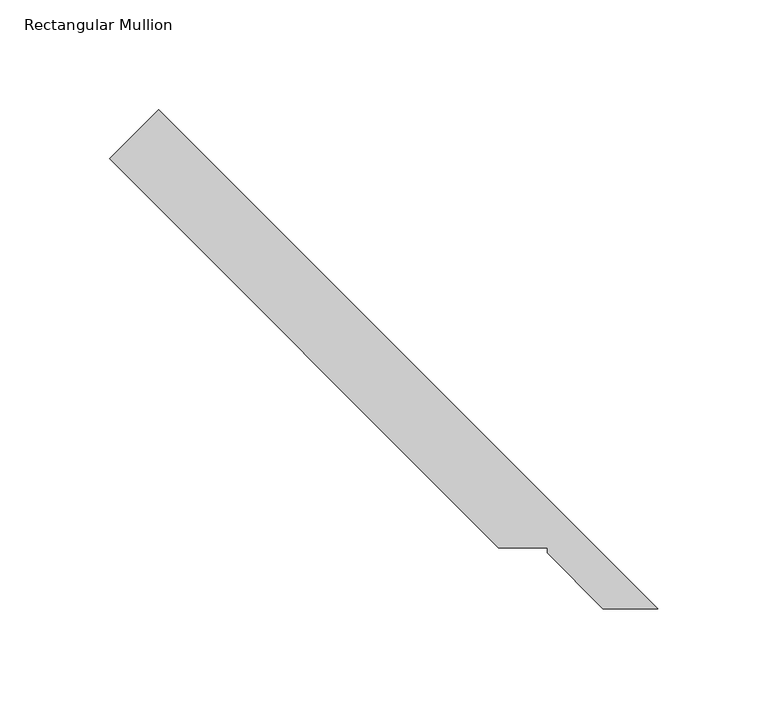
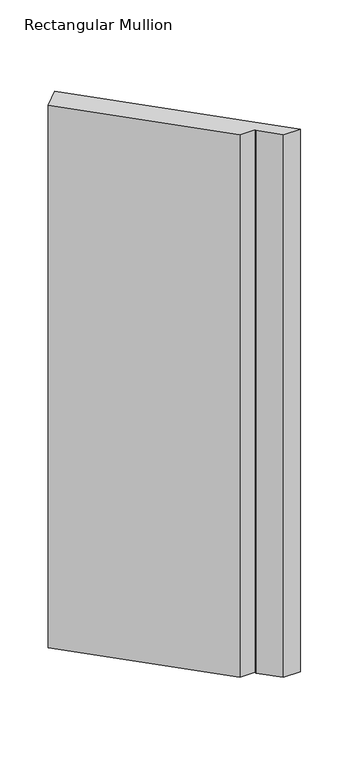
"""IFC4 building model written with IfcOpenShell, lengths in millimetres: member geometry, Rectangular Mullion."""

from ifc_helpers import new_model, si_unit, frame, origin, place, context, project, spatial, polyline, outline, extrude, source, transform, mapped, element, save


def rectangular_mullion_80196426(model_context):
    return source(origin(), model_context, "Body", "SweptSolid", [
        extrude(outline(polyline([(-269.2055409, 224.3042603), (-246.7549006, 246.7549006), (-18.853481, 18.853481), (-43.9245805, 18.853481), (-69.4326643, 44.4703836), (-69.4326643, 46.7563836), (-91.6576642, 46.7563836), (-269.2055409, 224.3042603)])), frame((0.0, 0.0, -838.2), z_axis=(0.0, 0.0, 1.0), x_axis=(1.0, 0.0, 0.0)), (0.0, 0.0, 1.0), 838.2),
    ])


if __name__ == "__main__":
    model = new_model("IFC4")
    model_context = context("Model", 3, world=origin())
    ifc_project = project(units=[si_unit("LENGTHUNIT", "METRE", prefix="MILLI")], contexts=[model_context])
    site = spatial("IfcSite", under=ifc_project)
    building = spatial("IfcBuilding", under=site)
    placement = place(None, origin())
    rectangular_mullion_shape = rectangular_mullion_80196426(model_context)
    element("IfcMember", 1, ObjectType="Rectangular Mullion", at=placement, inside=building, context=model_context, shape_type="MappedRepresentation", body=[
        mapped(rectangular_mullion_shape, transform((0.0, 0.0, 0.0), x_axis=(1.0, 0.0, 0.0), y_axis=(0.0, 1.0, 0.0), z_axis=(0.0, 0.0, 1.0))),
    ])
    save(model, "model.ifc")
